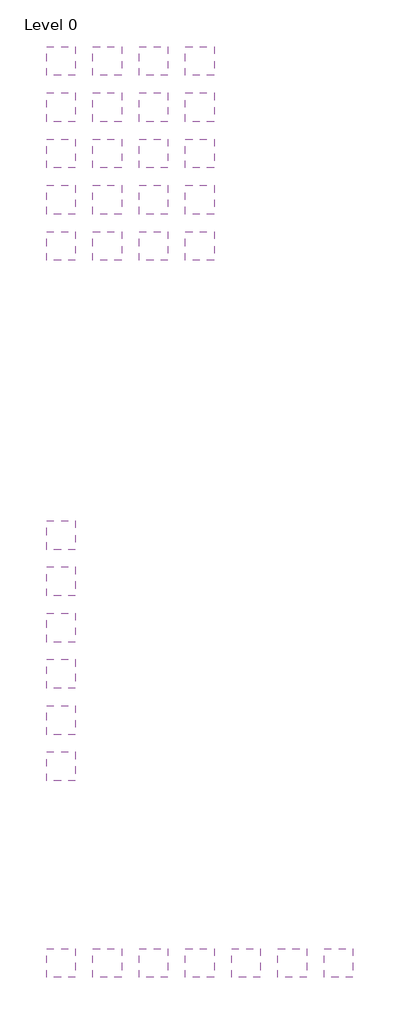
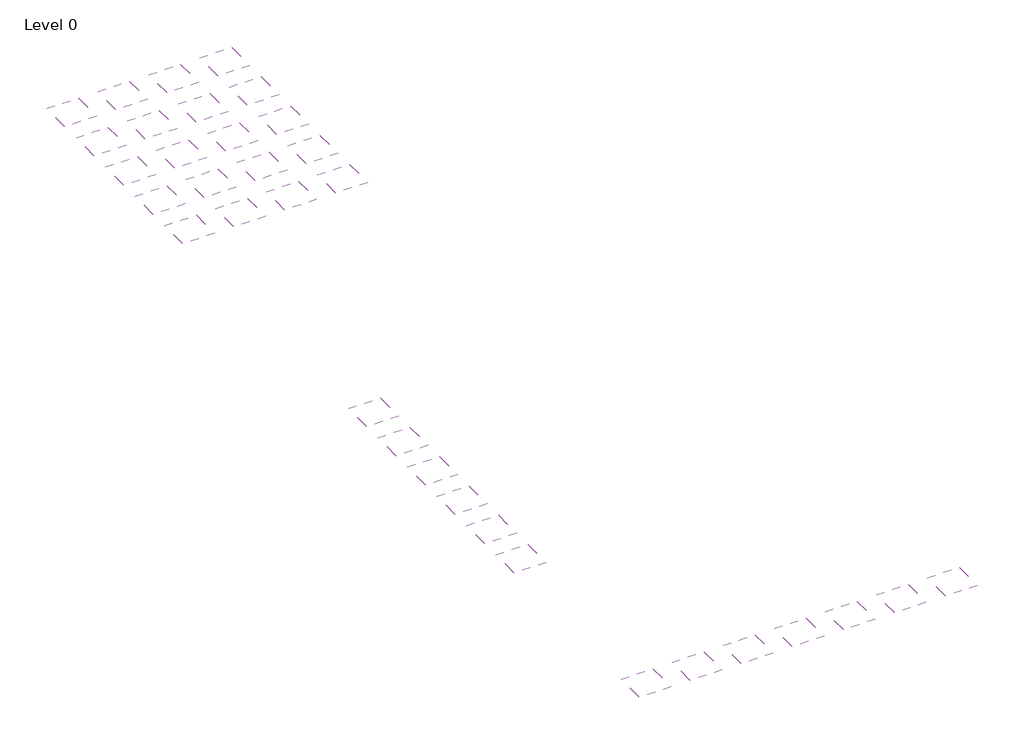
# One storey: 33 coverings.
"""IFC4 building model written with IfcOpenShell, lengths in millimetres."""

import ifcopenshell
import ifcopenshell.guid

model = None  # the IFC model being written
_history = None  # IfcOwnerHistory: only IFC2X3 demands one
_inside = {}  # id of a spatial element -> (the spatial element, [elements in it])
_under = {}  # id of a project, library or spatial element -> (it, [spatial elements below it])
_declared = {}  # id of a project -> (the project, [libraries it declares])
_typed = {}  # id of a type object -> (the type object, [elements of that type])
_made_of = {}  # id of a material, layer set ... -> (it, [elements and type objects made of it])


def new_model(schema):
    """Start an empty IFC model of exactly this schema.

    Asked for "IFC4X3", IfcOpenShell would pick the latest addendum, in which some entities
    have other attributes; the version numbers below select the first issue.
    IFC2X3 requires an IfcOwnerHistory on every rooted entity: one is made here for all.
    """
    global model, _history
    if schema == "IFC4X3":
        model = ifcopenshell.file(schema_version=(4, 3, 0, 0))
    else:
        model = ifcopenshell.file(schema=schema)
    _inside.clear()
    _under.clear()
    _declared.clear()
    _typed.clear()
    _made_of.clear()
    _history = None
    if model.schema == "IFC2X3":
        org = make("IfcOrganization", Name="unknown")
        user = make(
            "IfcPersonAndOrganization",
            ThePerson=make("IfcPerson", FamilyName="unknown"),
            TheOrganization=org,
        )
        app = make(
            "IfcApplication",
            ApplicationDeveloper=org,
            Version="unknown",
            ApplicationFullName="unknown",
            ApplicationIdentifier="unknown",
        )
        _history = make(
            "IfcOwnerHistory",
            OwningUser=user,
            OwningApplication=app,
            ChangeAction="ADDED",
            CreationDate=0,
        )
    return model


def make(cls, **values):
    """One entity of the class cls with the attributes given. An attribute that is None is left unset."""
    return model.create_entity(
        cls, **{name: value for name, value in values.items() if value is not None}
    )


def rooted(cls, **values):
    """An entity with a GlobalId (a new one), such as an element, a storey or a relation."""
    return make(cls, GlobalId=ifcopenshell.guid.new(), OwnerHistory=_history, **values)


def si_unit(unit_type, name, prefix=None):
    """IfcSIUnit, for example si_unit("LENGTHUNIT", "METRE", prefix="MILLI")."""
    return make("IfcSIUnit", UnitType=unit_type, Prefix=prefix, Name=name)


def assignment(units):
    """IfcUnitAssignment: the units of a project."""
    return None if units is None else make("IfcUnitAssignment", Units=units)


def point(xyz):
    """IfcCartesianPoint."""
    return None if xyz is None else make("IfcCartesianPoint", Coordinates=xyz)


def direction(xyz):
    """IfcDirection."""
    return None if xyz is None else make("IfcDirection", DirectionRatios=xyz)


def frame(location, z_axis=None, x_axis=None):
    """IfcAxis2Placement3D, a coordinate frame: its origin and axes. An axis left out is left unset."""
    return make(
        "IfcAxis2Placement3D",
        Location=point(location),
        Axis=direction(z_axis),
        RefDirection=direction(x_axis),
    )


def origin():
    """The frame at (0, 0, 0) with its axes left unset."""
    return frame((0.0, 0.0, 0.0))


def place(relative_to, where):
    """IfcLocalPlacement: puts the frame where relative to a parent placement (None: the world)."""
    return make(
        "IfcLocalPlacement", PlacementRelTo=relative_to, RelativePlacement=where
    )


def context(
    kind, dimensions, precision=None, world=None, true_north=None, identifier=None
):
    """IfcGeometricRepresentationContext, for example the 3D "Model" context."""
    return make(
        "IfcGeometricRepresentationContext",
        ContextIdentifier=identifier,
        ContextType=kind,
        CoordinateSpaceDimension=dimensions,
        Precision=precision,
        WorldCoordinateSystem=world,
        TrueNorth=true_north,
    )


def project(units=None, contexts=None):
    """IfcProject with its units and contexts."""
    return rooted(
        "IfcProject",
        Name="project",
        RepresentationContexts=contexts,
        UnitsInContext=assignment(units),
    )


def spatial(cls, under=None, at=None, **own):
    """A site, building, storey or space (cls), placed at a placement, below another one or the project."""
    s = rooted(cls, ObjectPlacement=at, **own)
    if under is not None:
        _under.setdefault(under.id(), (under, []))[1].append(s)
    return s


def polyline(points):
    """IfcPolyline through the points."""
    return make("IfcPolyline", Points=[point(p) for p in points])


def outline(outer, holes=None, kind="AREA"):
    """IfcArbitraryClosedProfileDef: a profile drawn as a closed curve; with holes, ...WithVoids."""
    if holes is None:
        return make("IfcArbitraryClosedProfileDef", ProfileType=kind, OuterCurve=outer)
    return make(
        "IfcArbitraryProfileDefWithVoids",
        ProfileType=kind,
        OuterCurve=outer,
        InnerCurves=holes,
    )


def extrude(swept, where, along, depth):
    """IfcExtrudedAreaSolid: the profile swept, set in the frame where, extruded along a direction by depth."""
    return make(
        "IfcExtrudedAreaSolid",
        SweptArea=swept,
        Position=where,
        ExtrudedDirection=direction(along),
        Depth=depth,
    )


def shape(context_of_items, identifier, shape_type, items):
    """IfcShapeRepresentation: the items that make up one representation, for example the "Body"."""
    return make(
        "IfcShapeRepresentation",
        ContextOfItems=context_of_items,
        RepresentationIdentifier=identifier,
        RepresentationType=shape_type,
        Items=items,
    )


def made_of(thing, what):
    """Note that an element or type object is made of a material, layer set ...; save() writes the relation."""
    if what is not None:
        _made_of.setdefault(what.id(), (what, []))[1].append(thing)
    return thing


def element(
    cls,
    number,
    at=None,
    inside=None,
    cuts=None,
    type_object=None,
    material=None,
    context=None,
    identifier="Body",
    shape_type=None,
    held_by="IfcProductDefinitionShape",
    body=None,
    shapes=None,
    **own,
):
    """One element of the class cls, such as IfcWall. Its Tag is "e" and its number.

    at: its placement. inside: the storey or other place that contains it. cuts: it is an
    opening in that element (IfcRelVoidsElement). A single representation is given by context,
    identifier, shape_type and body (its items); several are given by shapes. held_by: the class
    of the entity that holds the representations. save() writes the other relations.
    """
    e = rooted(cls, Tag="e%d" % number, ObjectPlacement=at, **own)
    if body is not None:
        shapes = [shape(context, identifier, shape_type, body)]
    if shapes is not None:
        e.Representation = make(held_by, Representations=shapes)
    if inside is not None:
        _inside.setdefault(inside.id(), (inside, []))[1].append(e)
    if cuts is not None:
        rooted(
            "IfcRelVoidsElement", RelatingBuildingElement=cuts, RelatedOpeningElement=e
        )
    if type_object is not None:
        _typed.setdefault(type_object.id(), (type_object, []))[1].append(e)
    return made_of(e, material)


def aggregate(whole, parts):
    """IfcRelAggregates: a whole, such as a stair, and the parts it consists of."""
    return rooted("IfcRelAggregates", RelatingObject=whole, RelatedObjects=parts)


def save(model, path):
    """Write the relations noted so far, then the file.

    IfcRelAggregates (storeys below a building ...), IfcRelContainedInSpatialStructure (elements
    in a storey), IfcRelDefinesByType, IfcRelAssociatesMaterial and IfcRelDeclares: one each for
    every whole, place, type object, material and project.
    """
    for whole, parts in _under.values():
        aggregate(whole, parts)
    for where, things in _inside.values():
        rooted(
            "IfcRelContainedInSpatialStructure",
            RelatedElements=things,
            RelatingStructure=where,
        )
    for kind, things in _typed.values():
        rooted("IfcRelDefinesByType", RelatedObjects=things, RelatingType=kind)
    for what, things in _made_of.values():
        rooted("IfcRelAssociatesMaterial", RelatedObjects=things, RelatingMaterial=what)
    for by, libraries in _declared.values():
        rooted("IfcRelDeclares", RelatingContext=by, RelatedDefinitions=libraries)
    model.write(path)


model = new_model("IFC4")

# Units and contexts
model_context = context("Model", 3, world=origin())
ifc_project = project(units=[si_unit("LENGTHUNIT", "METRE", prefix="MILLI")], contexts=[model_context])

# Site, building, storey
site = spatial("IfcSite", under=ifc_project)
building = spatial("IfcBuilding", under=site)
storey = spatial("IfcBuildingStorey", under=building, Name="Level 0", Elevation=0.0)

# Coverings
placement = place(None, origin())
element("IfcCovering", 1, at=placement, inside=storey, context=model_context, shape_type="SweptSolid", body=[
    extrude(outline(polyline([(-9816.8087978, 5048.1093759), (-9816.8087978, 4548.1093759), (-10316.8087978, 4548.1093759), (-10316.8087978, 5048.1093759), (-9816.8087978, 5048.1093759)])), frame((0.0, 0.0, 4000.0), z_axis=(0.0, 0.0, 1.0), x_axis=(1.0, 0.0, 0.0)), (0.0, 0.0, 1.0), 11.0),
])
element("IfcCovering", 2, at=placement, inside=storey, context=model_context, shape_type="SweptSolid", body=[
    extrude(outline(polyline([(-9816.8087978, 4248.1093759), (-9816.8087978, 3748.1093759), (-10316.8087978, 3748.1093759), (-10316.8087978, 4248.1093759), (-9816.8087978, 4248.1093759)])), frame((0.0, 0.0, 4000.0), z_axis=(0.0, 0.0, 1.0), x_axis=(1.0, 0.0, 0.0)), (0.0, 0.0, 1.0), 11.0),
])
element("IfcCovering", 3, at=placement, inside=storey, context=model_context, shape_type="SweptSolid", body=[
    extrude(outline(polyline([(-9016.8087978, 5048.1093759), (-9016.8087978, 4548.1093759), (-9516.8087978, 4548.1093759), (-9516.8087978, 5048.1093759), (-9016.8087978, 5048.1093759)])), frame((0.0, 0.0, 4000.0), z_axis=(0.0, 0.0, 1.0), x_axis=(1.0, 0.0, 0.0)), (0.0, 0.0, 1.0), 16.0),
])
element("IfcCovering", 4, at=placement, inside=storey, context=model_context, shape_type="SweptSolid", body=[
    extrude(outline(polyline([(-9016.8087978, 4248.1093759), (-9016.8087978, 3748.1093759), (-9516.8087978, 3748.1093759), (-9516.8087978, 4248.1093759), (-9016.8087978, 4248.1093759)])), frame((0.0, 0.0, 4000.0), z_axis=(0.0, 0.0, 1.0), x_axis=(1.0, 0.0, 0.0)), (0.0, 0.0, 1.0), 16.0),
])
element("IfcCovering", 5, at=placement, inside=storey, context=model_context, shape_type="SweptSolid", body=[
    extrude(outline(polyline([(-9816.8087978, 3448.1093759), (-9816.8087978, 2948.1093759), (-10316.8087978, 2948.1093759), (-10316.8087978, 3448.1093759), (-9816.8087978, 3448.1093759)])), frame((0.0, 0.0, 4000.0), z_axis=(0.0, 0.0, 1.0), x_axis=(1.0, 0.0, 0.0)), (0.0, 0.0, 1.0), 11.0),
])
element("IfcCovering", 6, at=placement, inside=storey, context=model_context, shape_type="SweptSolid", body=[
    extrude(outline(polyline([(-9016.8087978, 3448.1093759), (-9016.8087978, 2948.1093759), (-9516.8087978, 2948.1093759), (-9516.8087978, 3448.1093759), (-9016.8087978, 3448.1093759)])), frame((0.0, 0.0, 4000.0), z_axis=(0.0, 0.0, 1.0), x_axis=(1.0, 0.0, 0.0)), (0.0, 0.0, 1.0), 16.0),
])
element("IfcCovering", 7, at=placement, inside=storey, context=model_context, shape_type="SweptSolid", body=[
    extrude(outline(polyline([(-8216.8087978, 3448.1093759), (-8216.8087978, 2948.1093759), (-8716.8087978, 2948.1093759), (-8716.8087978, 3448.1093759), (-8216.8087978, 3448.1093759)])), frame((0.0, 0.0, 4000.0), z_axis=(0.0, 0.0, 1.0), x_axis=(1.0, 0.0, 0.0)), (0.0, 0.0, 1.0), 16.0),
])
element("IfcCovering", 8, at=placement, inside=storey, context=model_context, shape_type="SweptSolid", body=[
    extrude(outline(polyline([(-9816.8087978, 2648.1093759), (-9816.8087978, 2148.1093759), (-10316.8087978, 2148.1093759), (-10316.8087978, 2648.1093759), (-9816.8087978, 2648.1093759)])), frame((0.0, 0.0, 4000.0), z_axis=(0.0, 0.0, 1.0), x_axis=(1.0, 0.0, 0.0)), (0.0, 0.0, 1.0), 18.0),
])
element("IfcCovering", 9, at=placement, inside=storey, context=model_context, shape_type="SweptSolid", body=[
    extrude(outline(polyline([(-9016.8087978, 2648.1093759), (-9016.8087978, 2148.1093759), (-9516.8087978, 2148.1093759), (-9516.8087978, 2648.1093759), (-9016.8087978, 2648.1093759)])), frame((0.0, 0.0, 4000.0), z_axis=(0.0, 0.0, 1.0), x_axis=(1.0, 0.0, 0.0)), (0.0, 0.0, 1.0), 29.0),
])
element("IfcCovering", 10, at=placement, inside=storey, context=model_context, shape_type="SweptSolid", body=[
    extrude(outline(polyline([(-8216.8087978, 2648.1093759), (-8216.8087978, 2148.1093759), (-8716.8087978, 2148.1093759), (-8716.8087978, 2648.1093759), (-8216.8087978, 2648.1093759)])), frame((0.0, 0.0, 4000.0), z_axis=(0.0, 0.0, 1.0), x_axis=(1.0, 0.0, 0.0)), (0.0, 0.0, 1.0), 26.0),
])
element("IfcCovering", 11, at=placement, inside=storey, context=model_context, shape_type="SweptSolid", body=[
    extrude(outline(polyline([(-7416.8087978, 2648.1093759), (-7416.8087978, 2148.1093759), (-7916.8087978, 2148.1093759), (-7916.8087978, 2648.1093759), (-7416.8087978, 2648.1093759)])), frame((0.0, 0.0, 4000.0), z_axis=(0.0, 0.0, 1.0), x_axis=(1.0, 0.0, 0.0)), (0.0, 0.0, 1.0), 30.0),
])
element("IfcCovering", 12, at=placement, inside=storey, context=model_context, shape_type="SweptSolid", body=[
    extrude(outline(polyline([(-9816.8087978, 1848.1093759), (-9816.8087978, 1348.1093759), (-10316.8087978, 1348.1093759), (-10316.8087978, 1848.1093759), (-9816.8087978, 1848.1093759)])), frame((0.0, 0.0, 4000.0), z_axis=(0.0, 0.0, 1.0), x_axis=(1.0, 0.0, 0.0)), (0.0, 0.0, 1.0), 22.0),
])
element("IfcCovering", 13, at=placement, inside=storey, context=model_context, shape_type="SweptSolid", body=[
    extrude(outline(polyline([(-9016.8087978, 1848.1093759), (-9016.8087978, 1348.1093759), (-9516.8087978, 1348.1093759), (-9516.8087978, 1848.1093759), (-9016.8087978, 1848.1093759)])), frame((0.0, 0.0, 4000.0), z_axis=(0.0, 0.0, 1.0), x_axis=(1.0, 0.0, 0.0)), (0.0, 0.0, 1.0), 37.0),
])
element("IfcCovering", 14, at=placement, inside=storey, context=model_context, shape_type="SweptSolid", body=[
    extrude(outline(polyline([(-9816.8087978, -3951.8906241), (-9816.8087978, -4451.8906241), (-10316.8087978, -4451.8906241), (-10316.8087978, -3951.8906241), (-9816.8087978, -3951.8906241)])), frame((0.0, 0.0, 4000.0), z_axis=(0.0, 0.0, 1.0), x_axis=(1.0, 0.0, 0.0)), (0.0, 0.0, 1.0), 17.0),
])
element("IfcCovering", 15, at=placement, inside=storey, context=model_context, shape_type="SweptSolid", body=[
    extrude(outline(polyline([(-9816.8087978, -4751.8906241), (-9816.8087978, -5251.8906241), (-10316.8087978, -5251.8906241), (-10316.8087978, -4751.8906241), (-9816.8087978, -4751.8906241)])), frame((0.0, 0.0, 4000.0), z_axis=(0.0, 0.0, 1.0), x_axis=(1.0, 0.0, 0.0)), (0.0, 0.0, 1.0), 25.0),
])
element("IfcCovering", 16, at=placement, inside=storey, context=model_context, shape_type="SweptSolid", body=[
    extrude(outline(polyline([(-9816.8087978, -5551.8906241), (-9816.8087978, -6051.8906241), (-10316.8087978, -6051.8906241), (-10316.8087978, -5551.8906241), (-9816.8087978, -5551.8906241)])), frame((0.0, 0.0, 4000.0), z_axis=(0.0, 0.0, 1.0), x_axis=(1.0, 0.0, 0.0)), (0.0, 0.0, 1.0), 34.0),
])
element("IfcCovering", 17, at=placement, inside=storey, context=model_context, shape_type="SweptSolid", body=[
    extrude(outline(polyline([(-9816.8087978, -3151.8906241), (-9816.8087978, -3651.8906241), (-10316.8087978, -3651.8906241), (-10316.8087978, -3151.8906241), (-9816.8087978, -3151.8906241)])), frame((0.0, 0.0, 4000.0), z_axis=(0.0, 0.0, 1.0), x_axis=(1.0, 0.0, 0.0)), (0.0, 0.0, 1.0), 10.0),
])
element("IfcCovering", 18, at=placement, inside=storey, context=model_context, shape_type="SweptSolid", body=[
    extrude(outline(polyline([(-9816.8087978, -10551.8906241), (-9816.8087978, -11051.8906241), (-10316.8087978, -11051.8906241), (-10316.8087978, -10551.8906241), (-9816.8087978, -10551.8906241)])), frame((0.0, 0.0, 4000.0), z_axis=(0.0, 0.0, 1.0), x_axis=(1.0, 0.0, 0.0)), (0.0, 0.0, 1.0), 15.0),
])
element("IfcCovering", 19, at=placement, inside=storey, context=model_context, shape_type="SweptSolid", body=[
    extrude(outline(polyline([(-8216.8087978, -10551.8906241), (-8216.8087978, -11051.8906241), (-8716.8087978, -11051.8906241), (-8716.8087978, -10551.8906241), (-8216.8087978, -10551.8906241)])), frame((0.0, 0.0, 4000.0), z_axis=(0.0, 0.0, 1.0), x_axis=(1.0, 0.0, 0.0)), (0.0, 0.0, 1.0), 21.0),
])
element("IfcCovering", 20, at=placement, inside=storey, context=model_context, shape_type="SweptSolid", body=[
    extrude(outline(polyline([(-7416.8087978, -10551.8906241), (-7416.8087978, -11051.8906241), (-7916.8087978, -11051.8906241), (-7916.8087978, -10551.8906241), (-7416.8087978, -10551.8906241)])), frame((0.0, 0.0, 4000.0), z_axis=(0.0, 0.0, 1.0), x_axis=(1.0, 0.0, 0.0)), (0.0, 0.0, 1.0), 25.0),
])
element("IfcCovering", 21, at=placement, inside=storey, context=model_context, shape_type="SweptSolid", body=[
    extrude(outline(polyline([(-9016.8087978, -10551.8906241), (-9016.8087978, -11051.8906241), (-9516.8087978, -11051.8906241), (-9516.8087978, -10551.8906241), (-9016.8087978, -10551.8906241)])), frame((0.0, 0.0, 4000.0), z_axis=(0.0, 0.0, 1.0), x_axis=(1.0, 0.0, 0.0)), (0.0, 0.0, 1.0), 17.0),
])
element("IfcCovering", 22, at=placement, inside=storey, context=model_context, shape_type="SweptSolid", body=[
    extrude(outline(polyline([(-8216.8087978, 5048.1093759), (-8216.8087978, 4548.1093759), (-8716.8087978, 4548.1093759), (-8716.8087978, 5048.1093759), (-8216.8087978, 5048.1093759)])), frame((0.0, 0.0, 4000.0), z_axis=(0.0, 0.0, 1.0), x_axis=(1.0, 0.0, 0.0)), (0.0, 0.0, 1.0), 16.0),
])
element("IfcCovering", 23, at=placement, inside=storey, context=model_context, shape_type="SweptSolid", body=[
    extrude(outline(polyline([(-8216.8087978, 4248.1093759), (-8216.8087978, 3748.1093759), (-8716.8087978, 3748.1093759), (-8716.8087978, 4248.1093759), (-8216.8087978, 4248.1093759)])), frame((0.0, 0.0, 4000.0), z_axis=(0.0, 0.0, 1.0), x_axis=(1.0, 0.0, 0.0)), (0.0, 0.0, 1.0), 16.0),
])
element("IfcCovering", 24, at=placement, inside=storey, context=model_context, shape_type="SweptSolid", body=[
    extrude(outline(polyline([(-8216.8087978, 1848.1093759), (-8216.8087978, 1348.1093759), (-8716.8087978, 1348.1093759), (-8716.8087978, 1848.1093759), (-8216.8087978, 1848.1093759)])), frame((0.0, 0.0, 4000.0), z_axis=(0.0, 0.0, 1.0), x_axis=(1.0, 0.0, 0.0)), (0.0, 0.0, 1.0), 37.0),
])
element("IfcCovering", 25, at=placement, inside=storey, context=model_context, shape_type="SweptSolid", body=[
    extrude(outline(polyline([(-7416.8087978, 5048.1093759), (-7416.8087978, 4548.1093759), (-7916.8087978, 4548.1093759), (-7916.8087978, 5048.1093759), (-7416.8087978, 5048.1093759)])), frame((0.0, 0.0, 4000.0), z_axis=(0.0, 0.0, 1.0), x_axis=(1.0, 0.0, 0.0)), (0.0, 0.0, 1.0), 11.0),
])
element("IfcCovering", 26, at=placement, inside=storey, context=model_context, shape_type="SweptSolid", body=[
    extrude(outline(polyline([(-7416.8087978, 4248.1093759), (-7416.8087978, 3748.1093759), (-7916.8087978, 3748.1093759), (-7916.8087978, 4248.1093759), (-7416.8087978, 4248.1093759)])), frame((0.0, 0.0, 4000.0), z_axis=(0.0, 0.0, 1.0), x_axis=(1.0, 0.0, 0.0)), (0.0, 0.0, 1.0), 11.0),
])
element("IfcCovering", 27, at=placement, inside=storey, context=model_context, shape_type="SweptSolid", body=[
    extrude(outline(polyline([(-7416.8087978, 3448.1093759), (-7416.8087978, 2948.1093759), (-7916.8087978, 2948.1093759), (-7916.8087978, 3448.1093759), (-7416.8087978, 3448.1093759)])), frame((0.0, 0.0, 4000.0), z_axis=(0.0, 0.0, 1.0), x_axis=(1.0, 0.0, 0.0)), (0.0, 0.0, 1.0), 11.0),
])
element("IfcCovering", 28, at=placement, inside=storey, context=model_context, shape_type="SweptSolid", body=[
    extrude(outline(polyline([(-7416.8087978, 1848.1093759), (-7416.8087978, 1348.1093759), (-7916.8087978, 1348.1093759), (-7916.8087978, 1848.1093759), (-7416.8087978, 1848.1093759)])), frame((0.0, 0.0, 4000.0), z_axis=(0.0, 0.0, 1.0), x_axis=(1.0, 0.0, 0.0)), (0.0, 0.0, 1.0), 56.0),
])
element("IfcCovering", 29, at=placement, inside=storey, context=model_context, shape_type="SweptSolid", body=[
    extrude(outline(polyline([(-9816.8087978, -6351.8906241), (-9816.8087978, -6851.8906241), (-10316.8087978, -6851.8906241), (-10316.8087978, -6351.8906241), (-9816.8087978, -6351.8906241)])), frame((0.0, 0.0, 4000.0), z_axis=(0.0, 0.0, 1.0), x_axis=(1.0, 0.0, 0.0)), (0.0, 0.0, 1.0), 52.0),
])
element("IfcCovering", 30, at=placement, inside=storey, context=model_context, shape_type="SweptSolid", body=[
    extrude(outline(polyline([(-9816.8087978, -7151.8906241), (-9816.8087978, -7651.8906241), (-10316.8087978, -7651.8906241), (-10316.8087978, -7151.8906241), (-9816.8087978, -7151.8906241)])), frame((0.0, 0.0, 4000.0), z_axis=(0.0, 0.0, 1.0), x_axis=(1.0, 0.0, 0.0)), (0.0, 0.0, 1.0), 64.0),
])
element("IfcCovering", 31, at=placement, inside=storey, context=model_context, shape_type="SweptSolid", body=[
    extrude(outline(polyline([(-5816.8087978, -10551.8906241), (-5816.8087978, -11051.8906241), (-6316.8087978, -11051.8906241), (-6316.8087978, -10551.8906241), (-5816.8087978, -10551.8906241)])), frame((0.0, 0.0, 4000.0), z_axis=(0.0, 0.0, 1.0), x_axis=(1.0, 0.0, 0.0)), (0.0, 0.0, 1.0), 42.0),
])
element("IfcCovering", 32, at=placement, inside=storey, context=model_context, shape_type="SweptSolid", body=[
    extrude(outline(polyline([(-5016.8087978, -10551.8906241), (-5016.8087978, -11051.8906241), (-5516.8087978, -11051.8906241), (-5516.8087978, -10551.8906241), (-5016.8087978, -10551.8906241)])), frame((0.0, 0.0, 4000.0), z_axis=(0.0, 0.0, 1.0), x_axis=(1.0, 0.0, 0.0)), (0.0, 0.0, 1.0), 58.0),
])
element("IfcCovering", 33, at=placement, inside=storey, context=model_context, shape_type="SweptSolid", body=[
    extrude(outline(polyline([(-6616.8087978, -10551.8906241), (-6616.8087978, -11051.8906241), (-7116.8087978, -11051.8906241), (-7116.8087978, -10551.8906241), (-6616.8087978, -10551.8906241)])), frame((0.0, 0.0, 4000.0), z_axis=(0.0, 0.0, 1.0), x_axis=(1.0, 0.0, 0.0)), (0.0, 0.0, 1.0), 34.0),
])

save(model, "model.ifc")
